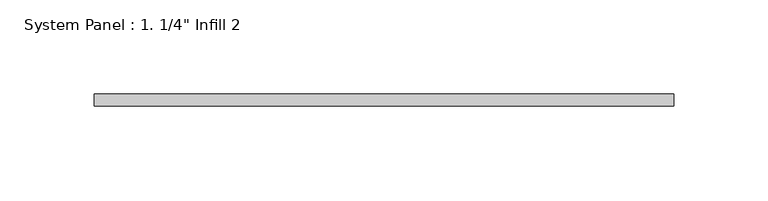
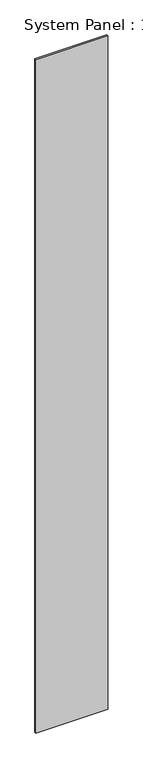
"""IFC4 building model written with IfcOpenShell, lengths in millimetres: plate geometry."""

from ifc_helpers import new_model, si_unit, origin, origin_with_axes, place, context, project, spatial, polyline, outline, extrude, source, transform, mapped, element, save


def plate_ff9d32b6(model_context):
    return source(origin(), model_context, "Body", "SweptSolid", [
        extrude(outline(polyline([(154.1043816, 0.0), (-154.1043816, 0.0), (-154.1043816, 6.35), (154.1043816, 6.35), (154.1043816, 0.0)])), origin_with_axes(), (0.0, 0.0, 1.0), 3048.0),
    ])


if __name__ == "__main__":
    model = new_model("IFC4")
    model_context = context("Model", 3, world=origin())
    ifc_project = project(units=[si_unit("LENGTHUNIT", "METRE", prefix="MILLI")], contexts=[model_context])
    site = spatial("IfcSite", under=ifc_project)
    building = spatial("IfcBuilding", under=site)
    placement = place(None, origin())
    plate_shape = plate_ff9d32b6(model_context)
    element("IfcPlate", 1, ObjectType="System Panel : 1. 1/4\" Infill 2", at=placement, inside=building, context=model_context, shape_type="MappedRepresentation", body=[
        mapped(plate_shape, transform((0.0, 0.0, 0.0), x_axis=(1.0, 0.0, 0.0), y_axis=(0.0, 1.0, 0.0), z_axis=(0.0, 0.0, 1.0))),
    ])
    save(model, "model.ifc")
